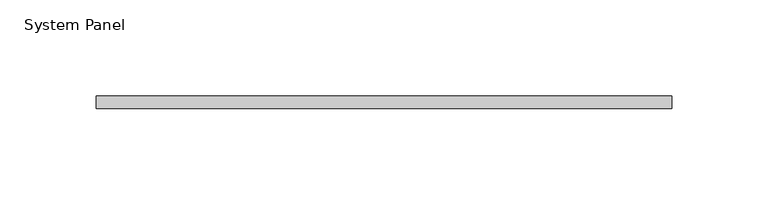
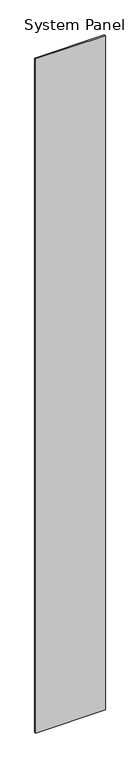
"""IFC4 building model written with IfcOpenShell, lengths in millimetres: plate geometry, System Panel."""

from ifc_helpers import new_model, si_unit, origin, origin_with_axes, place, context, project, spatial, polyline, outline, extrude, source, transform, mapped, element, save


def system_panel_365b26ca(model_context):
    return source(origin(), model_context, "Body", "SweptSolid", [
        extrude(outline(polyline([(149.225, 0.0), (-149.225, 0.0), (-149.225, 6.35), (149.225, 6.35), (149.225, 0.0)])), origin_with_axes(), (0.0, 0.0, 1.0), 3048.0),
    ])


if __name__ == "__main__":
    model = new_model("IFC4")
    model_context = context("Model", 3, world=origin())
    ifc_project = project(units=[si_unit("LENGTHUNIT", "METRE", prefix="MILLI")], contexts=[model_context])
    site = spatial("IfcSite", under=ifc_project)
    building = spatial("IfcBuilding", under=site)
    placement = place(None, origin())
    system_panel_shape = system_panel_365b26ca(model_context)
    element("IfcPlate", 1, ObjectType="System Panel", at=placement, inside=building, context=model_context, shape_type="MappedRepresentation", body=[
        mapped(system_panel_shape, transform((0.0, 0.0, 0.0), x_axis=(1.0, 0.0, 0.0), y_axis=(0.0, 1.0, 0.0), z_axis=(0.0, 0.0, 1.0))),
    ])
    save(model, "model.ifc")
